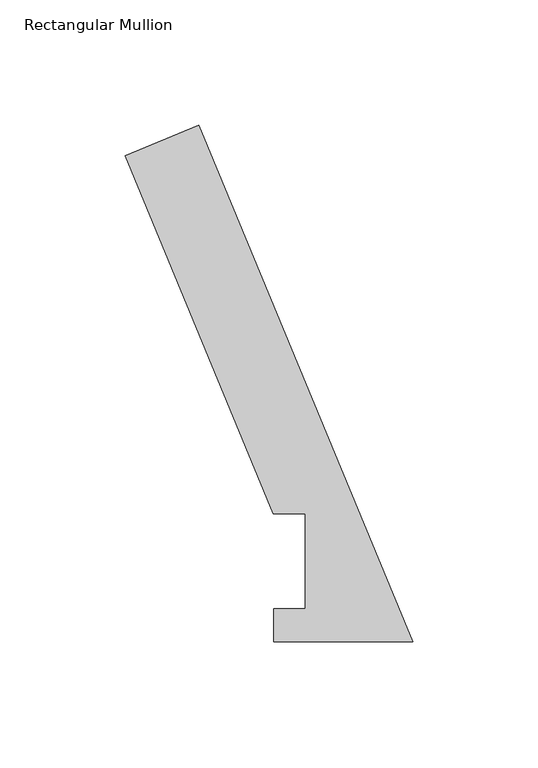
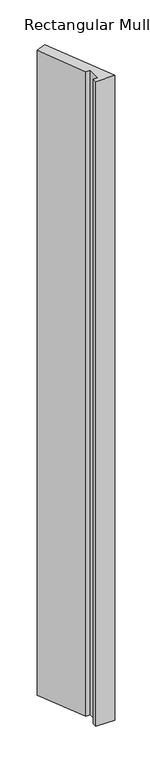
"""IFC4 building model written with IfcOpenShell, lengths in millimetres: member geometry, Rectangular Mullion."""

from ifc_helpers import new_model, si_unit, frame, origin, place, context, project, spatial, polyline, outline, extrude, source, transform, mapped, element, save


def rectangular_mullion_9cea71bf(model_context):
    return source(origin(), model_context, "Body", "SweptSolid", [
        extrude(outline(polyline([(-55.5640922, 0.060298), (-55.5640922, 13.2332912), (-42.8885138, 13.2332912), (-42.8885138, 51.2960937), (-55.5885138, 51.2960938), (-114.8134437, 194.2777227), (-85.4802686, 206.4279217), (0.0, 0.060298), (-55.5640922, 0.060298)])), frame((0.0, 0.0, -1993.8999999), z_axis=(0.0, 0.0, 1.0), x_axis=(1.0, 0.0, 0.0)), (0.0, 0.0, 1.0), 1993.8999999),
    ])


if __name__ == "__main__":
    model = new_model("IFC4")
    model_context = context("Model", 3, world=origin())
    ifc_project = project(units=[si_unit("LENGTHUNIT", "METRE", prefix="MILLI")], contexts=[model_context])
    site = spatial("IfcSite", under=ifc_project)
    building = spatial("IfcBuilding", under=site)
    placement = place(None, origin())
    rectangular_mullion_shape = rectangular_mullion_9cea71bf(model_context)
    element("IfcMember", 1, ObjectType="Rectangular Mullion", at=placement, inside=building, context=model_context, shape_type="MappedRepresentation", body=[
        mapped(rectangular_mullion_shape, transform((0.0, 0.0, 0.0), x_axis=(1.0, 0.0, 0.0), y_axis=(0.0, 1.0, 0.0), z_axis=(0.0, 0.0, 1.0))),
    ])
    save(model, "model.ifc")
